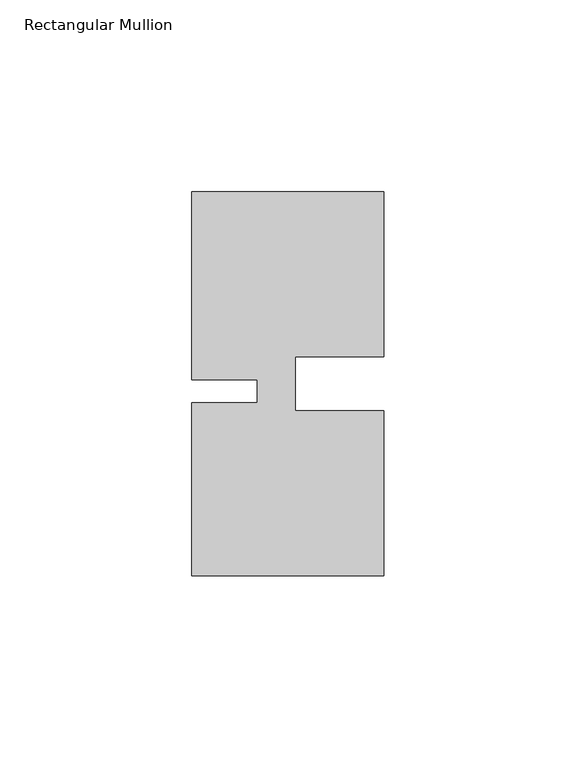
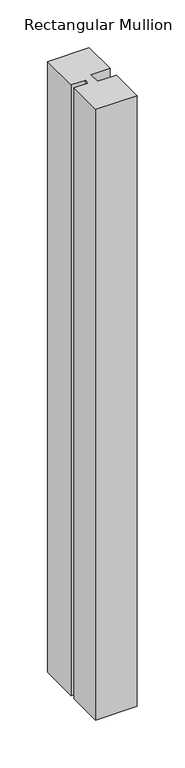
"""IFC4 building model written with IfcOpenShell, lengths in millimetres: member geometry, Rectangular Mullion."""

import ifcopenshell
import ifcopenshell.guid

model = None  # the IFC model being written
_history = None  # IfcOwnerHistory: only IFC2X3 demands one
_inside = {}  # id of a spatial element -> (the spatial element, [elements in it])
_under = {}  # id of a project, library or spatial element -> (it, [spatial elements below it])
_declared = {}  # id of a project -> (the project, [libraries it declares])
_typed = {}  # id of a type object -> (the type object, [elements of that type])
_made_of = {}  # id of a material, layer set ... -> (it, [elements and type objects made of it])


def new_model(schema):
    """Start an empty IFC model of exactly this schema.

    Asked for "IFC4X3", IfcOpenShell would pick the latest addendum, in which some entities
    have other attributes; the version numbers below select the first issue.
    IFC2X3 requires an IfcOwnerHistory on every rooted entity: one is made here for all.
    """
    global model, _history
    if schema == "IFC4X3":
        model = ifcopenshell.file(schema_version=(4, 3, 0, 0))
    else:
        model = ifcopenshell.file(schema=schema)
    _inside.clear()
    _under.clear()
    _declared.clear()
    _typed.clear()
    _made_of.clear()
    _history = None
    if model.schema == "IFC2X3":
        org = make("IfcOrganization", Name="unknown")
        user = make(
            "IfcPersonAndOrganization",
            ThePerson=make("IfcPerson", FamilyName="unknown"),
            TheOrganization=org,
        )
        app = make(
            "IfcApplication",
            ApplicationDeveloper=org,
            Version="unknown",
            ApplicationFullName="unknown",
            ApplicationIdentifier="unknown",
        )
        _history = make(
            "IfcOwnerHistory",
            OwningUser=user,
            OwningApplication=app,
            ChangeAction="ADDED",
            CreationDate=0,
        )
    return model


def make(cls, **values):
    """One entity of the class cls with the attributes given. An attribute that is None is left unset."""
    return model.create_entity(
        cls, **{name: value for name, value in values.items() if value is not None}
    )


def rooted(cls, **values):
    """An entity with a GlobalId (a new one), such as an element, a storey or a relation."""
    return make(cls, GlobalId=ifcopenshell.guid.new(), OwnerHistory=_history, **values)


def si_unit(unit_type, name, prefix=None):
    """IfcSIUnit, for example si_unit("LENGTHUNIT", "METRE", prefix="MILLI")."""
    return make("IfcSIUnit", UnitType=unit_type, Prefix=prefix, Name=name)


def assignment(units):
    """IfcUnitAssignment: the units of a project."""
    return None if units is None else make("IfcUnitAssignment", Units=units)


def point(xyz):
    """IfcCartesianPoint."""
    return None if xyz is None else make("IfcCartesianPoint", Coordinates=xyz)


def direction(xyz):
    """IfcDirection."""
    return None if xyz is None else make("IfcDirection", DirectionRatios=xyz)


def frame(location, z_axis=None, x_axis=None):
    """IfcAxis2Placement3D, a coordinate frame: its origin and axes. An axis left out is left unset."""
    return make(
        "IfcAxis2Placement3D",
        Location=point(location),
        Axis=direction(z_axis),
        RefDirection=direction(x_axis),
    )


def origin():
    """The frame at (0, 0, 0) with its axes left unset."""
    return frame((0.0, 0.0, 0.0))


def place(relative_to, where):
    """IfcLocalPlacement: puts the frame where relative to a parent placement (None: the world)."""
    return make(
        "IfcLocalPlacement", PlacementRelTo=relative_to, RelativePlacement=where
    )


def context(
    kind, dimensions, precision=None, world=None, true_north=None, identifier=None
):
    """IfcGeometricRepresentationContext, for example the 3D "Model" context."""
    return make(
        "IfcGeometricRepresentationContext",
        ContextIdentifier=identifier,
        ContextType=kind,
        CoordinateSpaceDimension=dimensions,
        Precision=precision,
        WorldCoordinateSystem=world,
        TrueNorth=true_north,
    )


def project(units=None, contexts=None):
    """IfcProject with its units and contexts."""
    return rooted(
        "IfcProject",
        Name="project",
        RepresentationContexts=contexts,
        UnitsInContext=assignment(units),
    )


def spatial(cls, under=None, at=None, **own):
    """A site, building, storey or space (cls), placed at a placement, below another one or the project."""
    s = rooted(cls, ObjectPlacement=at, **own)
    if under is not None:
        _under.setdefault(under.id(), (under, []))[1].append(s)
    return s


def polyline(points):
    """IfcPolyline through the points."""
    return make("IfcPolyline", Points=[point(p) for p in points])


def outline(outer, holes=None, kind="AREA"):
    """IfcArbitraryClosedProfileDef: a profile drawn as a closed curve; with holes, ...WithVoids."""
    if holes is None:
        return make("IfcArbitraryClosedProfileDef", ProfileType=kind, OuterCurve=outer)
    return make(
        "IfcArbitraryProfileDefWithVoids",
        ProfileType=kind,
        OuterCurve=outer,
        InnerCurves=holes,
    )


def extrude(swept, where, along, depth):
    """IfcExtrudedAreaSolid: the profile swept, set in the frame where, extruded along a direction by depth."""
    return make(
        "IfcExtrudedAreaSolid",
        SweptArea=swept,
        Position=where,
        ExtrudedDirection=direction(along),
        Depth=depth,
    )


def shape(context_of_items, identifier, shape_type, items):
    """IfcShapeRepresentation: the items that make up one representation, for example the "Body"."""
    return make(
        "IfcShapeRepresentation",
        ContextOfItems=context_of_items,
        RepresentationIdentifier=identifier,
        RepresentationType=shape_type,
        Items=items,
    )


def source(mapping_origin, context_of_items, identifier, shape_type, items):
    """IfcRepresentationMap: a shape defined once, which mapped items show again and again."""
    return make(
        "IfcRepresentationMap",
        MappingOrigin=mapping_origin,
        MappedRepresentation=shape(context_of_items, identifier, shape_type, items),
    )


def transform(
    local_origin,
    x_axis=None,
    y_axis=None,
    z_axis=None,
    scale=None,
    scale2=None,
    scale3=None,
    uniform=True,
):
    """IfcCartesianTransformationOperator3D, or its non-uniform kind. x_axis, y_axis, z_axis: its Axis1, 2, 3."""
    if uniform:
        return make(
            "IfcCartesianTransformationOperator3D",
            Axis1=direction(x_axis),
            Axis2=direction(y_axis),
            LocalOrigin=point(local_origin),
            Scale=scale,
            Axis3=direction(z_axis),
        )
    return make(
        "IfcCartesianTransformationOperator3DnonUniform",
        Axis1=direction(x_axis),
        Axis2=direction(y_axis),
        LocalOrigin=point(local_origin),
        Scale=scale,
        Axis3=direction(z_axis),
        Scale2=scale2,
        Scale3=scale3,
    )


def mapped(mapping_source, mapping_target):
    """IfcMappedItem: shows the shape of a source again, moved by a transform."""
    return make(
        "IfcMappedItem", MappingSource=mapping_source, MappingTarget=mapping_target
    )


def made_of(thing, what):
    """Note that an element or type object is made of a material, layer set ...; save() writes the relation."""
    if what is not None:
        _made_of.setdefault(what.id(), (what, []))[1].append(thing)
    return thing


def element(
    cls,
    number,
    at=None,
    inside=None,
    cuts=None,
    type_object=None,
    material=None,
    context=None,
    identifier="Body",
    shape_type=None,
    held_by="IfcProductDefinitionShape",
    body=None,
    shapes=None,
    **own,
):
    """One element of the class cls, such as IfcWall. Its Tag is "e" and its number.

    at: its placement. inside: the storey or other place that contains it. cuts: it is an
    opening in that element (IfcRelVoidsElement). A single representation is given by context,
    identifier, shape_type and body (its items); several are given by shapes. held_by: the class
    of the entity that holds the representations. save() writes the other relations.
    """
    e = rooted(cls, Tag="e%d" % number, ObjectPlacement=at, **own)
    if body is not None:
        shapes = [shape(context, identifier, shape_type, body)]
    if shapes is not None:
        e.Representation = make(held_by, Representations=shapes)
    if inside is not None:
        _inside.setdefault(inside.id(), (inside, []))[1].append(e)
    if cuts is not None:
        rooted(
            "IfcRelVoidsElement", RelatingBuildingElement=cuts, RelatedOpeningElement=e
        )
    if type_object is not None:
        _typed.setdefault(type_object.id(), (type_object, []))[1].append(e)
    return made_of(e, material)


def aggregate(whole, parts):
    """IfcRelAggregates: a whole, such as a stair, and the parts it consists of."""
    return rooted("IfcRelAggregates", RelatingObject=whole, RelatedObjects=parts)


def save(model, path):
    """Write the relations noted so far, then the file.

    IfcRelAggregates (storeys below a building ...), IfcRelContainedInSpatialStructure (elements
    in a storey), IfcRelDefinesByType, IfcRelAssociatesMaterial and IfcRelDeclares: one each for
    every whole, place, type object, material and project.
    """
    for whole, parts in _under.values():
        aggregate(whole, parts)
    for where, things in _inside.values():
        rooted(
            "IfcRelContainedInSpatialStructure",
            RelatedElements=things,
            RelatingStructure=where,
        )
    for kind, things in _typed.values():
        rooted("IfcRelDefinesByType", RelatedObjects=things, RelatingType=kind)
    for what, things in _made_of.values():
        rooted("IfcRelAssociatesMaterial", RelatedObjects=things, RelatingMaterial=what)
    for by, libraries in _declared.values():
        rooted("IfcRelDeclares", RelatingContext=by, RelatedDefinitions=libraries)
    model.write(path)


def rectangular_mullion_8631c9b5(model_context):
    return source(origin(), model_context, "Body", "SweptSolid", [
        extrude(outline(polyline([(-23.0000341, -5.000031), (-4.2e-06, -5.0000287), (0.0, -48.0000271), (-50.0, -48.000032), (-50.0000044, -3.000032), (-33.0004661, -3.0000303), (-33.0004667, 2.999987), (-50.000005, 2.9999853), (-50.0000098, 51.999968), (-3.44e-05, 51.999968), (-3.44e-05, 8.9999707), (-23.0000354, 8.9999684), (-23.0000341, -5.000031)])), frame((0.0, 0.0, -777.9996774), z_axis=(0.0, 0.0, 1.0), x_axis=(1.0, 0.0, 0.0)), (0.0, 0.0, 1.0), 777.9996774),
    ])


if __name__ == "__main__":
    model = new_model("IFC4")
    model_context = context("Model", 3, world=origin())
    ifc_project = project(units=[si_unit("LENGTHUNIT", "METRE", prefix="MILLI")], contexts=[model_context])
    site = spatial("IfcSite", under=ifc_project)
    building = spatial("IfcBuilding", under=site)
    placement = place(None, origin())
    rectangular_mullion_shape = rectangular_mullion_8631c9b5(model_context)
    element("IfcMember", 1, ObjectType="Rectangular Mullion", at=placement, inside=building, context=model_context, shape_type="MappedRepresentation", body=[
        mapped(rectangular_mullion_shape, transform((0.0, 0.0, 0.0), x_axis=(1.0, 0.0, 0.0), y_axis=(0.0, 1.0, 0.0), z_axis=(0.0, 0.0, 1.0))),
    ])
    save(model, "model.ifc")
